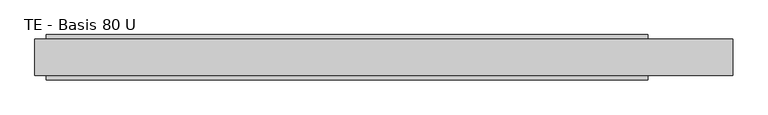
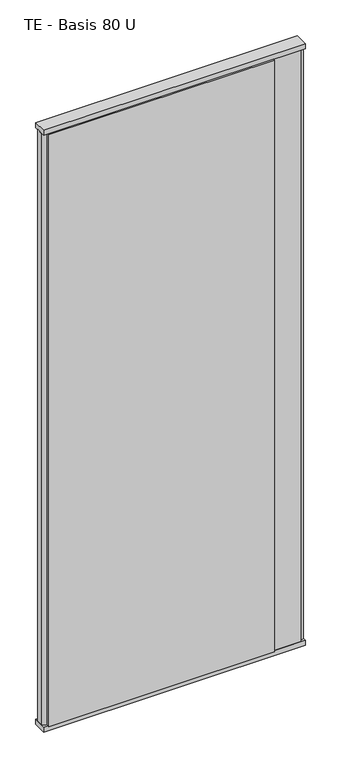
"""IFC4 building model written with IfcOpenShell, lengths in millimetres: plate geometry, TE - Basis 80 U."""

from ifc_helpers import new_model, si_unit, frame, origin, origin_with_axes, place, context, project, spatial, polyline, outline, extrude, source, transform, mapped, element, save


def te_basis_80_u_c0d88c98(model_context):
    return source(origin(), model_context, "Body", "SweptSolid", [
        extrude(outline(polyline([(467.5, 40.0), (467.5, 30.0), (597.5, 30.0), (597.5, 22.9993165), (617.5, 17.6401049), (617.5, -17.6401049), (597.5, -22.9993165), (597.5, -30.0), (467.5, -30.0), (467.5, -40.0), (-597.5, -40.0), (-597.5, -22.9993165), (-617.5, -17.6401049), (-617.5, 17.6401049), (-597.5, 22.9993165), (-597.5, 40.0), (467.5, 40.0)])), frame((0.0, 0.0, 25.0), z_axis=(0.0, 0.0, 1.0), x_axis=(1.0, 0.0, 0.0)), (0.0, 0.0, 1.0), 2950.0),
        extrude(outline(polyline([(617.5, 32.0), (617.5, -32.0), (-617.5, -32.0), (-617.5, 32.0), (617.5, 32.0)])), origin_with_axes(), (0.0, 0.0, 1.0), 25.0),
        extrude(outline(polyline([(617.5, 32.0), (617.5, -32.0), (-617.5, -32.0), (-617.5, 32.0), (617.5, 32.0)])), frame((0.0, 0.0, 2975.0), z_axis=(0.0, 0.0, 1.0), x_axis=(1.0, 0.0, 0.0)), (0.0, 0.0, 1.0), 25.0),
    ])


if __name__ == "__main__":
    model = new_model("IFC4")
    model_context = context("Model", 3, world=origin())
    ifc_project = project(units=[si_unit("LENGTHUNIT", "METRE", prefix="MILLI")], contexts=[model_context])
    site = spatial("IfcSite", under=ifc_project)
    building = spatial("IfcBuilding", under=site)
    placement = place(None, origin())
    te_basis_80_u_shape = te_basis_80_u_c0d88c98(model_context)
    element("IfcPlate", 1, ObjectType="TE - Basis 80 U", at=placement, inside=building, context=model_context, shape_type="MappedRepresentation", body=[
        mapped(te_basis_80_u_shape, transform((0.0, 0.0, 0.0), x_axis=(1.0, 0.0, 0.0), y_axis=(0.0, 1.0, 0.0), z_axis=(0.0, 0.0, 1.0))),
    ])
    save(model, "model.ifc")
